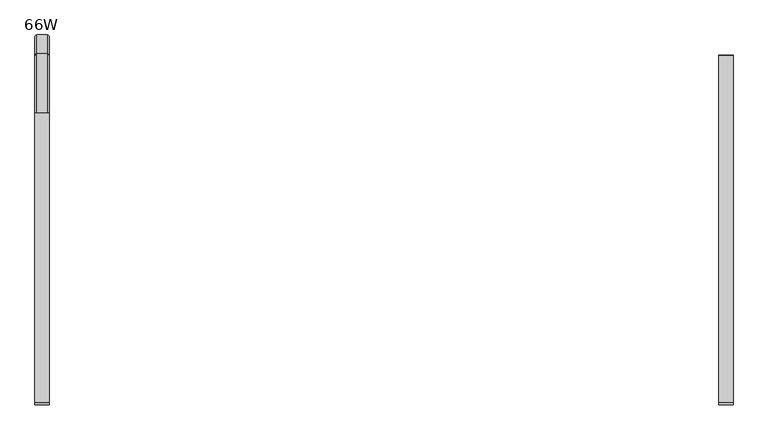
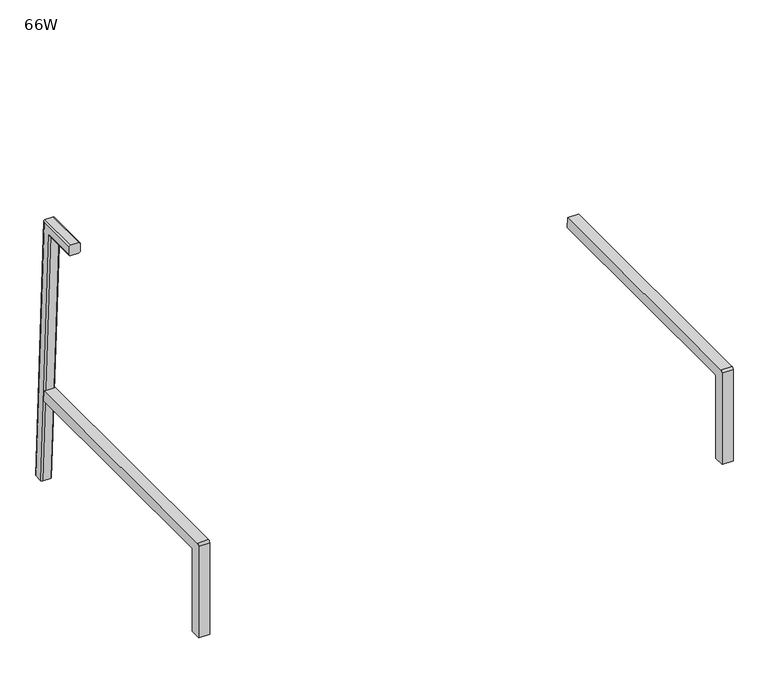
"""IFC4 building model written with IfcOpenShell, lengths in millimetres: furniture geometry, 66W."""

from ifc_helpers import new_model, si_unit, point, frame, frame_2d, origin, place, context, project, spatial, polyline, circle_curve, ellipse_curve, trimmed, segment, composite_curve, outline, extrude, source, transform, mapped, element, save
from ifc_brep_helpers import plane_surface, cylinder_surface, advanced_brep


def furniture_66w_3c99cbec(model_context):
    return source(origin(), model_context, "Body", "SolidModel", [
        advanced_brep(
        [(237.744, -140.07523, 663.2784096), (219.3361755, -140.07523, 663.2784096), (215.9, -140.07523, 659.8422341), (215.9, -140.07523, 641.4532189), (219.4184659, -140.07523, 637.934753), (237.744, -140.07523, 637.934753), (241.3, -140.07523, 641.490753), (241.3, -140.07523, 659.7224096), (237.744, -35.6046233, 663.2784096), (219.3361755, -35.6046233, 663.2784096), (215.9, -38.865432, 659.8422341), (215.9, -5.0770082, 15.1207003), (215.9, -23.4408219, 14.1582936), (215.9, -56.3159558, 641.4532189), (219.4184659, -59.6548553, 637.934753), (237.744, -59.6548553, 637.934753), (241.3, -56.2803373, 641.490753), (241.3, -23.4033392, 14.160258), (241.3, -5.1966685, 15.1144291), (241.3, -38.9791413, 659.7224096), (237.744, -1.6455419, 15.3005358), (237.744, -26.9544658, 13.9741513), (219.4184659, -26.9544658, 13.9741513), (219.3361755, -1.6455419, 15.3005358)],
        [
            (0, 1),
            (1, 2, circle_curve(frame((219.3361755, -140.07523, 659.8422341), z_axis=(0.0, -1.0, 0.0), x_axis=(0.0, 0.0, -1.0)), 3.4361755)),
            (2, 3),
            (3, 4, circle_curve(frame((219.4184659, -140.07523, 641.4532189), z_axis=(0.0, -1.0, 0.0), x_axis=(0.0, 0.0, -1.0)), 3.5184659)),
            (4, 5),
            (5, 6, circle_curve(frame((237.744, -140.07523, 641.490753), z_axis=(0.0, -1.0, 0.0), x_axis=(0.0, 0.0, -1.0)), 3.556)),
            (6, 7),
            (7, 0, circle_curve(frame((237.744, -140.07523, 659.7224096), z_axis=(0.0, -1.0, 0.0), x_axis=(0.0, 0.0, -1.0)), 3.556)),
            (0, 8),
            (8, 9),
            (9, 1),
            (9, 10, ellipse_curve(frame((219.3361755, -38.865432, 659.8422341), z_axis=(0.0, -0.7253743710122893, 0.6883545756937522), x_axis=(0.0, -0.6883545756937522, -0.7253743710122893)), 4.7371062, 3.4361755)),
            (10, 2),
            (10, 11),
            (11, 12),
            (12, 13),
            (13, 3),
            (13, 14, ellipse_curve(frame((219.4184659, -56.3159558, 641.4532189), z_axis=(0.0, -0.7253743710122893, 0.6883545756937522), x_axis=(0.0, -0.6883545756937522, -0.7253743710122893)), 4.8505517, 3.5184659)),
            (14, 4),
            (14, 15),
            (15, 5),
            (15, 16, ellipse_curve(frame((237.744, -56.2803373, 641.490753), z_axis=(0.0, -0.7253743710122893, 0.6883545756937522), x_axis=(0.0, -0.6883545756937522, -0.7253743710122893)), 4.9022962, 3.556)),
            (16, 6),
            (16, 17),
            (17, 18),
            (18, 19),
            (19, 7),
            (19, 8, ellipse_curve(frame((237.744, -38.9791413, 659.7224096), z_axis=(0.0, -0.7253743710122893, 0.6883545756937522), x_axis=(0.0, -0.6883545756937522, -0.7253743710122893)), 4.9022962, 3.556)),
            (20, 18, circle_curve(frame((237.744, -5.1966685, 15.1144291), z_axis=(0.0, 0.05233595624294532, -0.9986295347545738), x_axis=(0.0, -0.9986295347545738, -0.05233595624294532)), 3.556)),
            (17, 21, circle_curve(frame((237.744, -23.4033392, 14.160258), z_axis=(0.0, 0.05233595624294532, -0.9986295347545738), x_axis=(0.0, -0.9986295347545738, -0.05233595624294532)), 3.556)),
            (21, 22),
            (22, 12, circle_curve(frame((219.4184659, -23.4408219, 14.1582936), z_axis=(0.0, 0.05233595624294532, -0.9986295347545738), x_axis=(0.0, -0.9986295347545738, -0.05233595624294532)), 3.5184659)),
            (11, 23, circle_curve(frame((219.3361755, -5.0770082, 15.1207003), z_axis=(0.0, 0.05233595624294532, -0.9986295347545738), x_axis=(0.0, -0.9986295347545738, -0.05233595624294532)), 3.4361755)),
            (23, 20),
            (8, 20),
            (23, 9),
            (22, 14),
            (21, 15),
        ],
        [
            plane_surface(frame((215.9, -140.07523, 663.2784096), z_axis=(0.0, -1.0, 0.0), x_axis=(-1.0, 0.0, 0.0))),
            plane_surface(frame((237.744, -140.07523, 663.2784096), z_axis=(0.0, 0.0, 1.0), x_axis=(0.0, 1.0, 0.0))),
            cylinder_surface(frame((219.3361755, -140.07523, 659.8422341), z_axis=(0.0, -1.0, 0.0), x_axis=(0.0, 0.0, -1.0)), 3.4361755),
            plane_surface(frame((215.9, -140.07523, 659.8422341), z_axis=(-1.0, 0.0, 0.0), x_axis=(0.0, 1.0, 0.0))),
            cylinder_surface(frame((219.4184659, -140.07523, 641.4532189), z_axis=(0.0, -1.0, 0.0), x_axis=(0.0, 0.0, -1.0)), 3.5184659),
            plane_surface(frame((219.4184659, -140.07523, 637.934753), z_axis=(0.0, 0.0, -1.0), x_axis=(0.0, 1.0, 0.0))),
            cylinder_surface(frame((237.744, -140.07523, 641.490753), z_axis=(0.0, -1.0, 0.0), x_axis=(0.0, 0.0, -1.0)), 3.556),
            plane_surface(frame((241.3, -140.07523, 641.490753), z_axis=(1.0, 0.0, 0.0), x_axis=(0.0, 1.0, 0.0))),
            cylinder_surface(frame((237.744, -140.07523, 659.7224096), z_axis=(0.0, -1.0, 0.0), x_axis=(0.0, 0.0, -1.0)), 3.556),
            plane_surface(frame((215.9, -1.6455419, 15.3005358), z_axis=(0.0, 0.05233595624294531, -0.9986295347545738), x_axis=(-1.0, 0.0, 0.0))),
            plane_surface(frame((237.744, -35.6046233, 663.2784096), z_axis=(0.0, 0.9986295347545738, 0.05233595624294531), x_axis=(0.0, 0.05233595624294531, -0.9986295347545738))),
            cylinder_surface(frame((219.3361755, -39.0360896, 663.098574), z_axis=(0.0, -0.05233595624294532, 0.9986295347545738), x_axis=(0.0, -0.9986295347545738, -0.05233595624294532)), 3.4361755),
            cylinder_surface(frame((219.4184659, -57.3999032, 662.1361674), z_axis=(0.0, -0.05233595624294532, 0.9986295347545738), x_axis=(0.0, -0.9986295347545738, -0.05233595624294532)), 3.5184659),
            plane_surface(frame((219.4184659, -59.6548553, 637.934753), z_axis=(0.0, -0.9986295347545738, -0.05233595624294525), x_axis=(0.0, 0.05233595624294525, -0.9986295347545738))),
            cylinder_surface(frame((237.744, -57.3624206, 662.1381317), z_axis=(0.0, -0.05233595624294532, 0.9986295347545738), x_axis=(0.0, -0.9986295347545738, -0.05233595624294532)), 3.556),
            cylinder_surface(frame((237.744, -39.1557499, 663.0923029), z_axis=(0.0, -0.05233595624294532, 0.9986295347545738), x_axis=(0.0, -0.9986295347545738, -0.05233595624294532)), 3.556),
        ],
        [
            (0, [[1, 2, 3, 4, 5, 6, 7, 8]]),
            (1, [[-1, 9, 10, 11]]),
            (2, [[-2, -11, 12, 13]]),
            (3, [[-3, -13, 14, 15, 16, 17]]),
            (4, [[-4, -17, 18, 19]]),
            (5, [[-5, -19, 20, 21]]),
            (6, [[-6, -21, 22, 23]]),
            (7, [[-7, -23, 24, 25, 26, 27]]),
            (8, [[-8, -27, 28, -9]]),
            (9, [[29, -25, 30, 31, 32, -15, 33, 34]]),
            (10, [[-10, 35, -34, 36]]),
            (11, [[-12, -36, -33, -14]]),
            (12, [[-18, -16, -32, 37]]),
            (13, [[-20, -37, -31, 38]]),
            (14, [[-22, -38, -30, -24]]),
            (15, [[-28, -26, -29, -35]]),
        ],
    ),
        extrude(outline(composite_curve([segment(polyline([(-662.1146725, 14.1031489), (-662.1146725, 239.2936032)]), True, "CONTINUOUS"), segment(trimmed(circle_curve(frame_2d((-657.234081, 239.2936032)), 4.8805915), [point((-662.1146725, 239.2936032))], [point((-657.234081, 244.1741947))], False, "CARTESIAN"), True, "CONTINUOUS"), segment(polyline([(-657.234081, 244.1741947), (-39.0060493, 244.1741947), (-37.7444469, 218.7742432), (-633.6487025, 218.7742432)]), True, "CONTINUOUS"), segment(trimmed(circle_curve(frame_2d((-633.6487025, 215.7082732)), 3.06597), [point((-633.6487025, 218.7742432))], [point((-636.7146725, 215.7082732))], True, "CARTESIAN"), True, "CONTINUOUS"), segment(polyline([(-636.7146725, 215.7082732), (-636.7146725, 14.1031489), (-662.1146725, 14.1031489)]), True, "CONTINUOUS")], self_intersect=False)), frame((215.9, 0.0, 0.0), z_axis=(1.0, 0.0, 0.0), x_axis=(0.0, 1.0, 0.0)), (0.0, 0.0, 1.0), 25.4),
        extrude(outline(composite_curve([segment(polyline([(-662.1146725, 14.1031489), (-662.1146725, 239.2936032)]), True, "CONTINUOUS"), segment(trimmed(circle_curve(frame_2d((-657.234081, 239.2936032)), 4.8805915), [point((-662.1146725, 239.2936032))], [point((-657.234081, 244.1741947))], False, "CARTESIAN"), True, "CONTINUOUS"), segment(polyline([(-657.234081, 244.1741947), (-39.0060493, 244.1741947), (-37.7444469, 218.7742432), (-633.6487025, 218.7742432)]), True, "CONTINUOUS"), segment(trimmed(circle_curve(frame_2d((-633.6487025, 215.7082732)), 3.06597), [point((-633.6487025, 218.7742432))], [point((-636.7146725, 215.7082732))], True, "CARTESIAN"), True, "CONTINUOUS"), segment(polyline([(-636.7146725, 215.7082732), (-636.7146725, 14.1031489), (-662.1146725, 14.1031489)]), True, "CONTINUOUS")], self_intersect=False)), frame((1435.1, 0.0, 0.0), z_axis=(1.0, 0.0, 0.0), x_axis=(0.0, 1.0, 0.0)), (0.0, 0.0, 1.0), 25.4),
    ])


if __name__ == "__main__":
    model = new_model("IFC4")
    model_context = context("Model", 3, world=origin())
    ifc_project = project(units=[si_unit("LENGTHUNIT", "METRE", prefix="MILLI")], contexts=[model_context])
    site = spatial("IfcSite", under=ifc_project)
    building = spatial("IfcBuilding", under=site)
    placement = place(None, origin())
    furniture_66w_shape = furniture_66w_3c99cbec(model_context)
    element("IfcFurniture", 1, ObjectType="66W", at=placement, inside=building, context=model_context, shape_type="MappedRepresentation", body=[
        mapped(furniture_66w_shape, transform((0.0, 0.0, 0.0), x_axis=(1.0, 0.0, 0.0), y_axis=(0.0, 1.0, 0.0), z_axis=(0.0, 0.0, 1.0))),
    ])
    save(model, "model.ifc")
